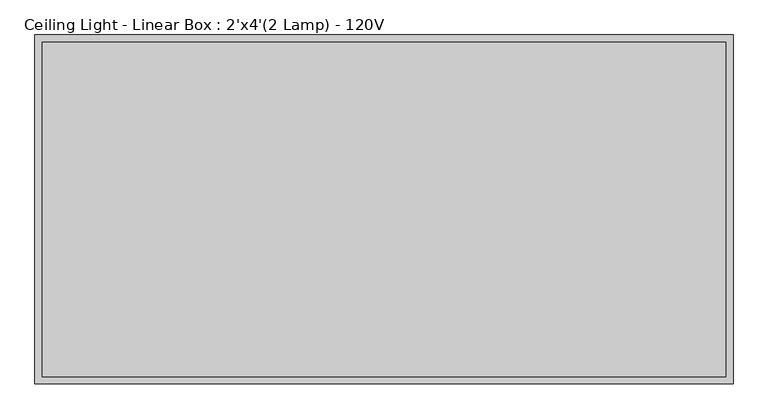
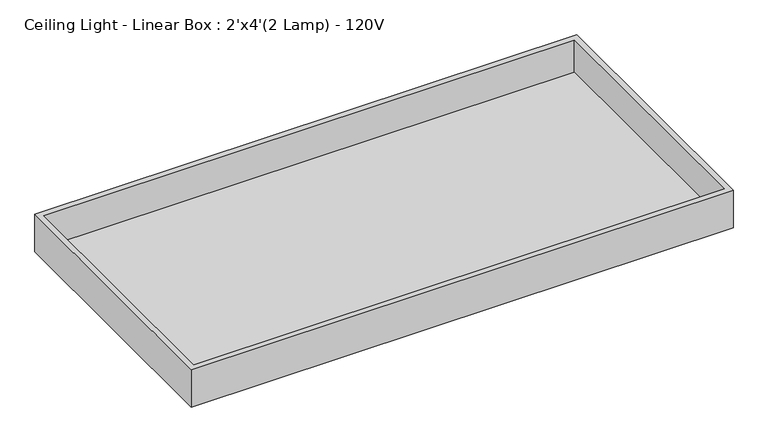
"""IFC4 building model written with IfcOpenShell, lengths in millimetres: light fixture geometry, Ceiling Light - Linear Box : 2'x4'(2 Lamp) - 120V."""

from ifc_helpers import new_model, si_unit, frame, origin, place, context, project, spatial, polyline, outline, extrude, source, transform, mapped, element, save


def ceiling_light_linear_box_2_x4_2_lamp_120v_6471e3e8(model_context):
    return source(origin(), model_context, "Body", "SweptSolid", [
        extrude(outline(polyline([(596.9, 292.1), (596.9, -292.1), (-596.9, -292.1), (-596.9, 292.1), (596.9, 292.1)])), frame((0.0, 0.0, 2355.85), z_axis=(0.0, 0.0, 1.0), x_axis=(1.0, 0.0, 0.0)), (0.0, 0.0, 1.0), 6.35),
        extrude(outline(polyline([(609.6, 304.8), (609.6, -304.8), (-609.6, -304.8), (-609.6, 304.8), (609.6, 304.8)]), holes=[polyline([(596.9, 292.1), (-596.9, 292.1), (-596.9, -292.1), (596.9, -292.1), (596.9, 292.1)])]), frame((0.0, 0.0, 2349.5), z_axis=(0.0, 0.0, 1.0), x_axis=(1.0, 0.0, 0.0)), (0.0, 0.0, 1.0), 88.9),
    ])


if __name__ == "__main__":
    model = new_model("IFC4")
    model_context = context("Model", 3, world=origin())
    ifc_project = project(units=[si_unit("LENGTHUNIT", "METRE", prefix="MILLI")], contexts=[model_context])
    site = spatial("IfcSite", under=ifc_project)
    building = spatial("IfcBuilding", under=site)
    placement = place(None, origin())
    ceiling_light_linear_box_2_x4_2_lamp_120v_shape = ceiling_light_linear_box_2_x4_2_lamp_120v_6471e3e8(model_context)
    element("IfcLightFixture", 1, ObjectType="Ceiling Light - Linear Box : 2'x4'(2 Lamp) - 120V", at=placement, inside=building, context=model_context, shape_type="MappedRepresentation", body=[
        mapped(ceiling_light_linear_box_2_x4_2_lamp_120v_shape, transform((0.0, 0.0, 0.0), x_axis=(1.0, 0.0, 0.0), y_axis=(0.0, 1.0, 0.0), z_axis=(0.0, 0.0, 1.0))),
    ])
    save(model, "model.ifc")
